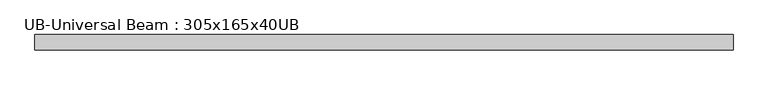
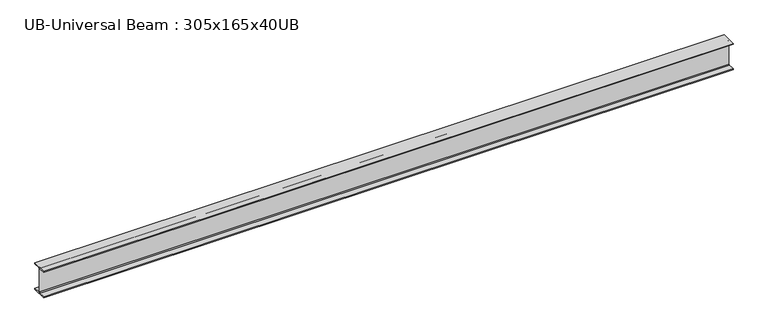
"""IFC4 building model written with IfcOpenShell, lengths in millimetres: beam geometry, UB-Universal Beam : 305x165x40UB."""

from ifc_helpers import new_model, si_unit, point, frame, frame_2d, origin, place, context, project, spatial, polyline, circle_curve, trimmed, segment, composite_curve, outline, extrude, source, transform, mapped, element, save


def ub_universal_beam_305x165x40ub_4c740a48(model_context):
    return source(origin(), model_context, "Body", "SweptSolid", [
        extrude(outline(composite_curve([segment(polyline([(82.5, -141.5), (82.5, -151.7), (-82.5, -151.7), (-82.5, -141.5), (-11.9, -141.5)]), True, "CONTINUOUS"), segment(trimmed(circle_curve(frame_2d((-11.9, -132.6)), 8.9), [point((-11.9, -141.5))], [point((-3.0, -132.6))], True, "CARTESIAN"), True, "CONTINUOUS"), segment(polyline([(-3.0, -132.6), (-3.0, 132.6)]), True, "CONTINUOUS"), segment(trimmed(circle_curve(frame_2d((-11.9, 132.6)), 8.9), [point((-3.0, 132.6))], [point((-11.9, 141.5))], True, "CARTESIAN"), True, "CONTINUOUS"), segment(polyline([(-11.9, 141.5), (-82.5, 141.5), (-82.5, 151.7), (82.5, 151.7), (82.5, 141.5), (11.9, 141.5)]), True, "CONTINUOUS"), segment(trimmed(circle_curve(frame_2d((11.9, 132.6)), 8.9), [point((11.9, 141.5))], [point((3.0, 132.6))], True, "CARTESIAN"), True, "CONTINUOUS"), segment(polyline([(3.0, 132.6), (3.0, -132.6)]), True, "CONTINUOUS"), segment(trimmed(circle_curve(frame_2d((11.9, -132.6)), 8.9), [point((3.0, -132.6))], [point((11.9, -141.5))], True, "CARTESIAN"), True, "CONTINUOUS"), segment(polyline([(11.9, -141.5), (82.5, -141.5)]), True, "CONTINUOUS")], self_intersect=False)), frame((-3759.6427716, 0.0, 0.0), z_axis=(1.0, 0.0, 0.0), x_axis=(0.0, 1.0, 0.0)), (0.0, 0.0, 1.0), 7526.8341559),
    ])


if __name__ == "__main__":
    model = new_model("IFC4")
    model_context = context("Model", 3, world=origin())
    ifc_project = project(units=[si_unit("LENGTHUNIT", "METRE", prefix="MILLI")], contexts=[model_context])
    site = spatial("IfcSite", under=ifc_project)
    building = spatial("IfcBuilding", under=site)
    placement = place(None, origin())
    ub_universal_beam_305x165x40ub_shape = ub_universal_beam_305x165x40ub_4c740a48(model_context)
    element("IfcBeam", 1, ObjectType="UB-Universal Beam : 305x165x40UB", at=placement, inside=building, context=model_context, shape_type="MappedRepresentation", body=[
        mapped(ub_universal_beam_305x165x40ub_shape, transform((0.0, 0.0, 0.0), x_axis=(1.0, 0.0, 0.0), y_axis=(0.0, 1.0, 0.0), z_axis=(0.0, 0.0, 1.0))),
    ])
    save(model, "model.ifc")
